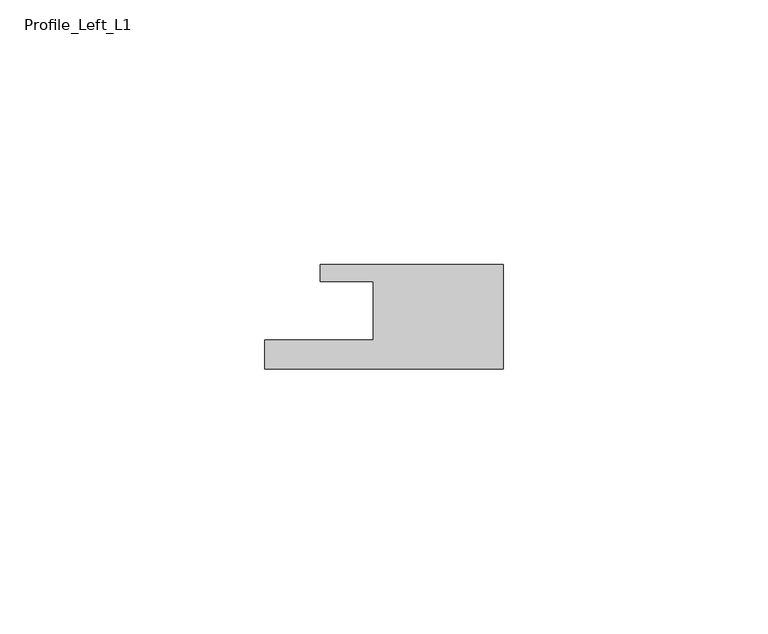
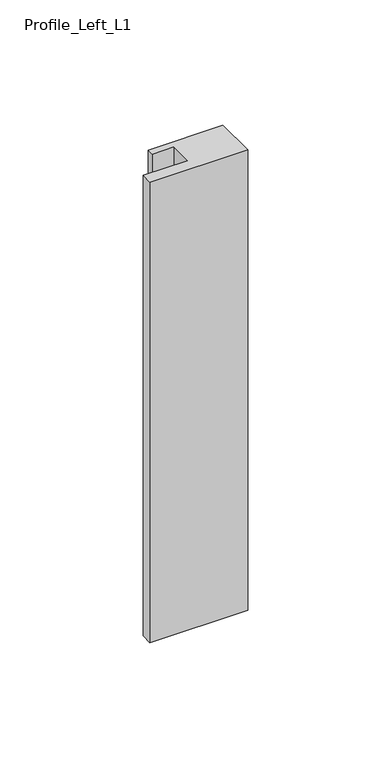
"""IFC4 building model written with IfcOpenShell, lengths in millimetres: member geometry, Profile_Left_L1."""

from ifc_helpers import new_model, si_unit, frame, origin, place, context, project, spatial, polyline, outline, extrude, source, transform, mapped, element, save


def profile_left_l1_d88e28f5(model_context):
    return source(origin(), model_context, "Body", "SweptSolid", [
        extrude(outline(polyline([(-45.0, -5.5), (-24.5, -5.5), (-24.5, 5.5), (-34.5, 5.5), (-34.5, 8.7), (0.0, 8.7), (0.0, -11.0), (-45.0, -11.0), (-45.0, -5.5)])), frame((0.0, 0.0, -224.5), z_axis=(0.0, 0.0, 1.0), x_axis=(1.0, 0.0, 0.0)), (0.0, 0.0, 1.0), 224.5),
    ])


if __name__ == "__main__":
    model = new_model("IFC4")
    model_context = context("Model", 3, world=origin())
    ifc_project = project(units=[si_unit("LENGTHUNIT", "METRE", prefix="MILLI")], contexts=[model_context])
    site = spatial("IfcSite", under=ifc_project)
    building = spatial("IfcBuilding", under=site)
    placement = place(None, origin())
    profile_left_l1_shape = profile_left_l1_d88e28f5(model_context)
    element("IfcMember", 1, ObjectType="Profile_Left_L1", at=placement, inside=building, context=model_context, shape_type="MappedRepresentation", body=[
        mapped(profile_left_l1_shape, transform((0.0, 0.0, 0.0), x_axis=(1.0, 0.0, 0.0), y_axis=(0.0, 1.0, 0.0), z_axis=(0.0, 0.0, 1.0))),
    ])
    save(model, "model.ifc")
